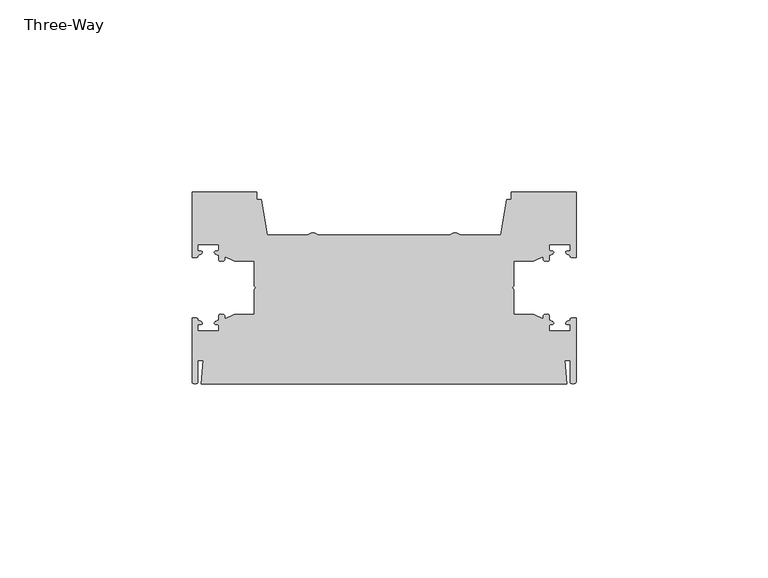
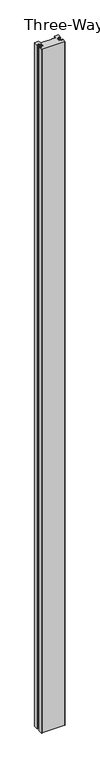
"""IFC4 building model written with IfcOpenShell, lengths in millimetres: proxy geometry, Three-Way."""

from ifc_helpers import new_model, si_unit, frame, origin, place, context, project, spatial, circle_curve, source, transform, mapped, element, save
from ifc_brep_helpers import plane_surface, cylinder_surface, extruded_surface, spline_curve, advanced_brep


def three_way_67b36097(model_context):
    return source(origin(), model_context, "Body", "AdvancedBrep", [
        advanced_brep(
        [(41.2154763, 8.0424674, 3048.0), (43.185195, 8.5344392, 3048.0), (43.0, 9.851346, 3048.0), (43.0, 11.301346, 3048.0), (48.5, 11.301346, 3048.0), (48.5, 9.851346, 3048.0), (48.8, 7.901346, 3048.0), (50.0, 7.901346, 3048.0), (50.0, 25.001346, 3048.0), (33.1962748, 25.001346, 3048.0), (33.1962748, 22.9708269, 3048.0), (31.9352486, 22.9708269, 3048.0), (30.467107, 13.701346, 3048.0), (19.9330127, 13.701346, 3048.0), (17.0669873, 13.701346, 3048.0), (-17.0669873, 13.701346, 3048.0), (-19.9330127, 13.701346, 3048.0), (-30.467107, 13.701346, 3048.0), (-31.9352486, 22.9708269, 3048.0), (-33.1962748, 22.9708269, 3048.0), (-33.1962748, 25.001346, 3048.0), (-50.0, 25.001346, 3048.0), (-50.0, 7.901346, 3048.0), (-48.8, 7.901346, 3048.0), (-48.5, 9.851346, 3048.0), (-48.5, 11.301346, 3048.0), (-43.0, 11.301346, 3048.0), (-43.0, 9.851346, 3048.0), (-43.185195, 8.5344392, 3048.0), (-41.2154763, 8.0424674, 3048.0), (-39.2639781, 7.1324689, 3048.0), (-38.3342179, 6.926346, 3048.0), (-33.75, 6.926346, 3048.0), (-33.75, 0.6327168, 3048.0), (-33.75, -0.6327168, 3048.0), (-33.75, -6.926346, 3048.0), (-38.3342179, -6.926346, 3048.0), (-39.2639781, -7.1324689, 3048.0), (-41.2154763, -8.0424674, 3048.0), (-43.185195, -8.5344392, 3048.0), (-43.0, -9.851346, 3048.0), (-43.0, -11.301346, 3048.0), (-48.5, -11.301346, 3048.0), (-48.5, -9.851346, 3048.0), (-48.8, -7.901346, 3048.0), (-50.0, -7.901346, 3048.0), (-50.0, -24.501346, 3048.0), (-48.5, -24.701346, 3048.0), (-48.5, -18.9577681, 3048.0), (-47.098648, -18.9577681, 3048.0), (-47.6273926, -25.001346, 3048.0), (47.6273926, -25.001346, 3048.0), (47.098648, -18.9577681, 3048.0), (48.5, -18.9577681, 3048.0), (48.5, -24.701346, 3048.0), (50.0, -24.501346, 3048.0), (50.0, -7.901346, 3048.0), (48.8, -7.901346, 3048.0), (48.5, -9.851346, 3048.0), (48.5, -11.301346, 3048.0), (43.0, -11.301346, 3048.0), (43.0, -9.851346, 3048.0), (43.185195, -8.5344392, 3048.0), (41.2154763, -8.0424674, 3048.0), (39.2639781, -7.1324689, 3048.0), (38.3342179, -6.926346, 3048.0), (33.75, -6.926346, 3048.0), (33.75, -0.6327168, 3048.0), (33.75, 0.6327168, 3048.0), (33.75, 6.926346, 3048.0), (38.3342179, 6.926346, 3048.0), (39.2639781, 7.1324689, 3048.0), (41.2154763, 8.0424674, 0.0), (39.2639781, 7.1324689, 0.0), (38.3342179, 6.926346, 0.0), (33.75, 6.926346, 0.0), (33.75, 0.6327168, 0.0), (33.75, -0.6327168, 0.0), (33.75, -6.926346, 0.0), (38.3342179, -6.926346, 0.0), (39.2639781, -7.1324689, 0.0), (41.2154763, -8.0424674, 0.0), (43.185195, -8.5344392, 0.0), (43.0, -9.851346, 0.0), (43.0, -11.301346, 0.0), (48.5, -11.301346, 0.0), (48.5, -9.851346, 0.0), (48.8, -7.901346, 0.0), (50.0, -7.901346, 0.0), (50.0, -24.501346, 0.0), (48.5, -24.701346, 0.0), (48.5, -18.9577681, 0.0), (47.098648, -18.9577681, 0.0), (47.6273926, -25.001346, 0.0), (-47.6273926, -25.001346, 0.0), (-47.098648, -18.9577681, 0.0), (-48.5, -18.9577681, 0.0), (-48.5, -24.701346, 0.0), (-50.0, -24.501346, 0.0), (-50.0, -7.901346, 0.0), (-48.8, -7.901346, 0.0), (-48.5, -9.851346, 0.0), (-48.5, -11.301346, 0.0), (-43.0, -11.301346, 0.0), (-43.0, -9.851346, 0.0), (-43.185195, -8.5344392, 0.0), (-41.2154763, -8.0424674, 0.0), (-39.2639781, -7.1324689, 0.0), (-38.3342179, -6.926346, 0.0), (-33.75, -6.926346, 0.0), (-33.75, -0.6327168, 0.0), (-33.75, 0.6327168, 0.0), (-33.75, 6.926346, 0.0), (-38.3342179, 6.926346, 0.0), (-39.2639781, 7.1324689, 0.0), (-41.2154763, 8.0424674, 0.0), (-43.185195, 8.5344392, 0.0), (-43.0, 9.851346, 0.0), (-43.0, 11.301346, 0.0), (-48.5, 11.301346, 0.0), (-48.5, 9.851346, 0.0), (-48.8, 7.901346, 0.0), (-50.0, 7.901346, 0.0), (-50.0, 25.001346, 0.0), (-33.1962748, 25.001346, 0.0), (-33.1962748, 22.9708269, 0.0), (-31.9352486, 22.9708269, 0.0), (-30.467107, 13.701346, 0.0), (-19.9330127, 13.701346, 0.0), (-17.0669873, 13.701346, 0.0), (17.0669873, 13.701346, 0.0), (19.9330127, 13.701346, 0.0), (30.467107, 13.701346, 0.0), (31.9352486, 22.9708269, 0.0), (33.1962748, 22.9708269, 0.0), (33.1962748, 25.001346, 0.0), (50.0, 25.001346, 0.0), (50.0, 7.901346, 0.0), (48.8, 7.901346, 0.0), (48.5, 9.851346, 0.0), (48.5, 11.301346, 0.0), (43.0, 11.301346, 0.0), (43.0, 9.851346, 0.0), (43.185195, 8.5344392, 0.0)],
        [
            (0, 1, spline_curve(3, [(41.2154763, 8.0424674, 3048.0), (41.660842777, 8.153509734, 3048.0), (41.464969733, 7.61204267, 3048.0), (41.500572297, 6.958500692, 3048.0), (41.842679832, 6.976429878, 3048.0), (42.574686522, 6.897326467, 3048.0), (42.964814637, 6.784479785, 3048.0), (43.049610674, 7.60991552, 3048.0), (42.848603765, 8.377484129, 3048.0), (43.185195, 8.5344392, 3048.0)], [4, 2, 2, 2, 4], [0.0, 0.003012044489340364, 0.006728367817494094, 0.01094538845224981, 0.0144651460148009])),
            (1, 2, spline_curve(3, [(43.185195, 8.5344392, 3048.0), (44.257193579, 8.742814615, 3048.0), (44.348132264, 9.380145163, 3048.0), (43.638957401, 9.652690652, 3048.0), (43.0, 9.450969221, 3048.0), (43.0, 9.851346, 3048.0)], [4, 2, 4], [0.0, 0.004103753102240253, 0.007451069118864329])),
            (2, 3),
            (3, 4),
            (4, 5),
            (5, 6, spline_curve(3, [(48.5, 9.851346, 3048.0), (48.5, 9.460584296, 3048.0), (47.850294419, 9.634672339, 3048.0), (47.165809164, 9.457127825, 3048.0), (47.326551938, 8.962412758, 3048.0), (47.964231228, 8.600409346, 3048.0), (48.379482035, 8.636739063, 3048.0), (48.555448591, 8.211710623, 3048.0), (48.479332943, 7.901346, 3048.0), (48.8, 7.901346, 3048.0)], [4, 2, 2, 2, 4], [0.0, 0.003573994024217011, 0.0080459867357268, 0.011718250182124893, 0.014250554149769994])),
            (6, 7),
            (7, 8),
            (8, 9),
            (9, 10),
            (10, 11),
            (11, 12),
            (12, 13),
            (13, 14, spline_curve(3, [(19.9330127, 13.701346, 3048.0), (18.952688612, 14.482010326, 3048.0), (17.997346815, 14.482010326, 3048.0), (17.0669873, 13.701346, 3048.0)], [4, 4], [0.0, 0.006072054324959151])),
            (14, 15),
            (15, 16, spline_curve(3, [(-17.0669873, 13.701346, 3048.0), (-17.997346815, 14.482010326, 3048.0), (-18.952688612, 14.482010326, 3048.0), (-19.9330127, 13.701346, 3048.0)], [4, 4], [0.0, 0.006072054324959151])),
            (16, 17),
            (17, 18),
            (18, 19),
            (19, 20),
            (20, 21),
            (21, 22),
            (22, 23),
            (23, 24, spline_curve(3, [(-48.8, 7.901346, 3048.0), (-48.479332943, 7.901346, 3048.0), (-48.555448591, 8.211710623, 3048.0), (-48.379482035, 8.636739063, 3048.0), (-47.964231228, 8.600409346, 3048.0), (-47.326551938, 8.962412758, 3048.0), (-47.165809164, 9.457127825, 3048.0), (-47.850294419, 9.634672339, 3048.0), (-48.5, 9.460584296, 3048.0), (-48.5, 9.851346, 3048.0)], [4, 2, 2, 2, 4], [0.0, 0.002532303967645101, 0.006204567414043193, 0.010676560125552983, 0.014250554149769994])),
            (24, 25),
            (25, 26),
            (26, 27),
            (27, 28, spline_curve(3, [(-43.0, 9.851346, 3048.0), (-43.0, 9.450969221, 3048.0), (-43.638957401, 9.652690652, 3048.0), (-44.348132264, 9.380145163, 3048.0), (-44.257193579, 8.742814615, 3048.0), (-43.185195, 8.5344392, 3048.0)], [4, 2, 4], [0.0, 0.0033473160166240766, 0.007451069118864329])),
            (28, 29, spline_curve(3, [(-43.185195, 8.5344392, 3048.0), (-42.848603765, 8.377484129, 3048.0), (-43.049610674, 7.60991552, 3048.0), (-42.964814637, 6.784479785, 3048.0), (-42.574686522, 6.897326467, 3048.0), (-41.842679832, 6.976429878, 3048.0), (-41.500572297, 6.958500692, 3048.0), (-41.464969733, 7.61204267, 3048.0), (-41.660842777, 8.153509734, 3048.0), (-41.2154763, 8.0424674, 3048.0)], [4, 2, 2, 2, 4], [0.0, 0.003519757562551089, 0.007736778197306806, 0.011453101525460536, 0.0144651460148009])),
            (29, 30),
            (30, 31, circle_curve(frame((-38.3342179, 9.126346, 3048.0), z_axis=(0.0, 0.0, 1.0), x_axis=(0.0, -1.0, 0.0)), 2.2)),
            (31, 32),
            (32, 33),
            (33, 34, spline_curve(3, [(-33.75, 0.6327168, 3048.0), (-33.75, 0.347035284, 3048.0), (-33.438766776, 0.176328791, 3048.0), (-33.428516361, -0.143105225, 3048.0), (-33.75, -0.290923637, 3048.0), (-33.75, -0.6327168, 3048.0)], [4, 2, 4], [0.0, 0.0018632078204305373, 0.0037877800839590864])),
            (34, 35),
            (35, 36),
            (36, 37, circle_curve(frame((-38.3342179, -9.126346, 3048.0), z_axis=(0.0, 0.0, 1.0), x_axis=(0.0, -1.0, 0.0)), 2.2)),
            (37, 38),
            (38, 39, spline_curve(3, [(-41.2154763, -8.0424674, 3048.0), (-41.660842777, -8.153509734, 3048.0), (-41.464969733, -7.61204267, 3048.0), (-41.500572297, -6.958500692, 3048.0), (-41.842679832, -6.976429878, 3048.0), (-42.574686522, -6.897326467, 3048.0), (-42.964814637, -6.784479785, 3048.0), (-43.049610674, -7.60991552, 3048.0), (-42.848603765, -8.377484129, 3048.0), (-43.185195, -8.5344392, 3048.0)], [4, 2, 2, 2, 4], [0.0, 0.003012044489340364, 0.006728367817494094, 0.01094538845224981, 0.0144651460148009])),
            (39, 40, spline_curve(3, [(-43.185195, -8.5344392, 3048.0), (-44.257193579, -8.742814615, 3048.0), (-44.348132264, -9.380145163, 3048.0), (-43.638957401, -9.652690652, 3048.0), (-43.0, -9.450969221, 3048.0), (-43.0, -9.851346, 3048.0)], [4, 2, 4], [0.0, 0.004103753102240253, 0.007451069118864329])),
            (40, 41),
            (41, 42),
            (42, 43),
            (43, 44, spline_curve(3, [(-48.5, -9.851346, 3048.0), (-48.5, -9.460584296, 3048.0), (-47.850294419, -9.634672339, 3048.0), (-47.165809164, -9.457127825, 3048.0), (-47.326551938, -8.962412758, 3048.0), (-47.964231228, -8.600409346, 3048.0), (-48.379482035, -8.636739063, 3048.0), (-48.555448591, -8.211710623, 3048.0), (-48.479332943, -7.901346, 3048.0), (-48.8, -7.901346, 3048.0)], [4, 2, 2, 2, 4], [0.0, 0.003573994024217011, 0.0080459867357268, 0.011718250182124893, 0.014250554149769994])),
            (44, 45),
            (45, 46),
            (46, 47, spline_curve(3, [(-50.0, -24.501346, 3048.0), (-50.046499209, -25.166315666, 3048.0), (-48.5, -25.109765933, 3048.0), (-48.5, -24.701346, 3048.0)], [4, 4], [0.0, 0.002868051353515802])),
            (47, 48),
            (48, 49),
            (49, 50),
            (50, 51),
            (51, 52),
            (52, 53),
            (53, 54),
            (54, 55, spline_curve(3, [(48.5, -24.701346, 3048.0), (48.5, -25.109765933, 3048.0), (50.046499209, -25.166315666, 3048.0), (50.0, -24.501346, 3048.0)], [4, 4], [0.0, 0.002868051353515802])),
            (55, 56),
            (56, 57),
            (57, 58, spline_curve(3, [(48.8, -7.901346, 3048.0), (48.479332943, -7.901346, 3048.0), (48.555448591, -8.211710623, 3048.0), (48.379482035, -8.636739063, 3048.0), (47.964231228, -8.600409346, 3048.0), (47.326551938, -8.962412758, 3048.0), (47.165809164, -9.457127825, 3048.0), (47.850294419, -9.634672339, 3048.0), (48.5, -9.460584296, 3048.0), (48.5, -9.851346, 3048.0)], [4, 2, 2, 2, 4], [0.0, 0.002532303967645101, 0.006204567414043193, 0.010676560125552983, 0.014250554149769994])),
            (58, 59),
            (59, 60),
            (60, 61),
            (61, 62, spline_curve(3, [(43.0, -9.851346, 3048.0), (43.0, -9.450969221, 3048.0), (43.638957401, -9.652690652, 3048.0), (44.348132264, -9.380145163, 3048.0), (44.257193579, -8.742814615, 3048.0), (43.185195, -8.5344392, 3048.0)], [4, 2, 4], [0.0, 0.0033473160166240766, 0.007451069118864329])),
            (62, 63, spline_curve(3, [(43.185195, -8.5344392, 3048.0), (42.848603765, -8.377484129, 3048.0), (43.049610674, -7.60991552, 3048.0), (42.964814637, -6.784479785, 3048.0), (42.574686522, -6.897326467, 3048.0), (41.842679832, -6.976429878, 3048.0), (41.500572297, -6.958500692, 3048.0), (41.464969733, -7.61204267, 3048.0), (41.660842777, -8.153509734, 3048.0), (41.2154763, -8.0424674, 3048.0)], [4, 2, 2, 2, 4], [0.0, 0.003519757562551089, 0.007736778197306806, 0.011453101525460536, 0.0144651460148009])),
            (63, 64),
            (64, 65, circle_curve(frame((38.3342179, -9.126346, 3048.0), z_axis=(0.0, 0.0, 1.0), x_axis=(0.0, -1.0, 0.0)), 2.2)),
            (65, 66),
            (66, 67),
            (67, 68, spline_curve(3, [(33.75, -0.6327168, 3048.0), (33.75, -0.290923637, 3048.0), (33.428516361, -0.143105225, 3048.0), (33.438766776, 0.176328791, 3048.0), (33.75, 0.347035284, 3048.0), (33.75, 0.6327168, 3048.0)], [4, 2, 4], [0.0, 0.001924572263528549, 0.0037877800839590864])),
            (68, 69),
            (69, 70),
            (70, 71, circle_curve(frame((38.3342179, 9.126346, 3048.0), z_axis=(0.0, 0.0, 1.0), x_axis=(0.0, -1.0, 0.0)), 2.2)),
            (71, 0),
            (72, 73),
            (73, 74, circle_curve(frame((38.3342179, 9.126346, 0.0), z_axis=(0.0, 0.0, -1.0), x_axis=(0.0, -1.0, 0.0)), 2.2)),
            (74, 75),
            (75, 76),
            (76, 77, spline_curve(3, [(33.75, 0.6327168, 0.0), (33.75, 0.347035284, 0.0), (33.438766776, 0.176328791, 0.0), (33.428516361, -0.143105225, 0.0), (33.75, -0.290923637, 0.0), (33.75, -0.6327168, 0.0)], [4, 2, 4], [0.0, 0.0018632078204305373, 0.0037877800839590864])),
            (77, 78),
            (78, 79),
            (79, 80, circle_curve(frame((38.3342179, -9.126346, 0.0), z_axis=(0.0, 0.0, -1.0), x_axis=(0.0, -1.0, 0.0)), 2.2)),
            (80, 81),
            (81, 82, spline_curve(3, [(41.2154763, -8.0424674, 0.0), (41.660842777, -8.153509734, 0.0), (41.464969733, -7.61204267, 0.0), (41.500572297, -6.958500692, 0.0), (41.842679832, -6.976429878, 0.0), (42.574686522, -6.897326467, 0.0), (42.964814637, -6.784479785, 0.0), (43.049610674, -7.60991552, 0.0), (42.848603765, -8.377484129, 0.0), (43.185195, -8.5344392, 0.0)], [4, 2, 2, 2, 4], [0.0, 0.0030120444893403635, 0.006728367817494094, 0.01094538845224981, 0.0144651460148009])),
            (82, 83, spline_curve(3, [(43.185195, -8.5344392, 0.0), (44.257193579, -8.742814615, 0.0), (44.348132264, -9.380145163, 0.0), (43.638957401, -9.652690652, 0.0), (43.0, -9.450969221, 0.0), (43.0, -9.851346, 0.0)], [4, 2, 4], [0.0, 0.004103753102240253, 0.007451069118864329])),
            (83, 84),
            (84, 85),
            (85, 86),
            (86, 87, spline_curve(3, [(48.5, -9.851346, 0.0), (48.5, -9.460584296, 0.0), (47.850294419, -9.634672339, 0.0), (47.165809164, -9.457127825, 0.0), (47.326551938, -8.962412758, 0.0), (47.964231228, -8.600409346, 0.0), (48.379482035, -8.636739063, 0.0), (48.555448591, -8.211710623, 0.0), (48.479332943, -7.901346, 0.0), (48.8, -7.901346, 0.0)], [4, 2, 2, 2, 4], [0.0, 0.003573994024217011, 0.0080459867357268, 0.011718250182124893, 0.014250554149769994])),
            (87, 88),
            (88, 89),
            (89, 90, spline_curve(3, [(50.0, -24.501346, 0.0), (50.046499209, -25.166315666, 0.0), (48.5, -25.109765933, 0.0), (48.5, -24.701346, 0.0)], [4, 4], [0.0, 0.002868051353515802])),
            (90, 91),
            (91, 92),
            (92, 93),
            (93, 94),
            (94, 95),
            (95, 96),
            (96, 97),
            (97, 98, spline_curve(3, [(-48.5, -24.701346, 0.0), (-48.5, -25.109765933, 0.0), (-50.046499209, -25.166315666, 0.0), (-50.0, -24.501346, 0.0)], [4, 4], [0.0, 0.002868051353515802])),
            (98, 99),
            (99, 100),
            (100, 101, spline_curve(3, [(-48.8, -7.901346, 0.0), (-48.479332943, -7.901346, 0.0), (-48.555448591, -8.211710623, 0.0), (-48.379482035, -8.636739063, 0.0), (-47.964231228, -8.600409346, 0.0), (-47.326551938, -8.962412758, 0.0), (-47.165809164, -9.457127825, 0.0), (-47.850294419, -9.634672339, 0.0), (-48.5, -9.460584296, 0.0), (-48.5, -9.851346, 0.0)], [4, 2, 2, 2, 4], [0.0, 0.002532303967645101, 0.006204567414043193, 0.010676560125552983, 0.014250554149769994])),
            (101, 102),
            (102, 103),
            (103, 104),
            (104, 105, spline_curve(3, [(-43.0, -9.851346, 0.0), (-43.0, -9.450969221, 0.0), (-43.638957401, -9.652690652, 0.0), (-44.348132264, -9.380145163, 0.0), (-44.257193579, -8.742814615, 0.0), (-43.185195, -8.5344392, 0.0)], [4, 2, 4], [0.0, 0.0033473160166240766, 0.007451069118864329])),
            (105, 106, spline_curve(3, [(-43.185195, -8.5344392, 0.0), (-42.848603765, -8.377484129, 0.0), (-43.049610674, -7.60991552, 0.0), (-42.964814637, -6.784479785, 0.0), (-42.574686522, -6.897326467, 0.0), (-41.842679832, -6.976429878, 0.0), (-41.500572297, -6.958500692, 0.0), (-41.464969733, -7.61204267, 0.0), (-41.660842777, -8.153509734, 0.0), (-41.2154763, -8.0424674, 0.0)], [4, 2, 2, 2, 4], [0.0, 0.003519757562551089, 0.007736778197306806, 0.011453101525460536, 0.0144651460148009])),
            (106, 107),
            (107, 108, circle_curve(frame((-38.3342179, -9.126346, 0.0), z_axis=(0.0, 0.0, -1.0), x_axis=(0.0, -1.0, 0.0)), 2.2)),
            (108, 109),
            (109, 110),
            (110, 111, spline_curve(3, [(-33.75, -0.6327168, 0.0), (-33.75, -0.290923637, 0.0), (-33.428516361, -0.143105225, 0.0), (-33.438766776, 0.176328791, 0.0), (-33.75, 0.347035284, 0.0), (-33.75, 0.6327168, 0.0)], [4, 2, 4], [0.0, 0.001924572263528549, 0.0037877800839590864])),
            (111, 112),
            (112, 113),
            (113, 114, circle_curve(frame((-38.3342179, 9.126346, 0.0), z_axis=(0.0, 0.0, -1.0), x_axis=(0.0, -1.0, 0.0)), 2.2)),
            (114, 115),
            (115, 116, spline_curve(3, [(-41.2154763, 8.0424674, 0.0), (-41.660842777, 8.153509734, 0.0), (-41.464969733, 7.61204267, 0.0), (-41.500572297, 6.958500692, 0.0), (-41.842679832, 6.976429878, 0.0), (-42.574686522, 6.897326467, 0.0), (-42.964814637, 6.784479785, 0.0), (-43.049610674, 7.60991552, 0.0), (-42.848603765, 8.377484129, 0.0), (-43.185195, 8.5344392, 0.0)], [4, 2, 2, 2, 4], [0.0, 0.0030120444893403635, 0.006728367817494094, 0.01094538845224981, 0.0144651460148009])),
            (116, 117, spline_curve(3, [(-43.185195, 8.5344392, 0.0), (-44.257193579, 8.742814615, 0.0), (-44.348132264, 9.380145163, 0.0), (-43.638957401, 9.652690652, 0.0), (-43.0, 9.450969221, 0.0), (-43.0, 9.851346, 0.0)], [4, 2, 4], [0.0, 0.004103753102240253, 0.007451069118864329])),
            (117, 118),
            (118, 119),
            (119, 120),
            (120, 121, spline_curve(3, [(-48.5, 9.851346, 0.0), (-48.5, 9.460584296, 0.0), (-47.850294419, 9.634672339, 0.0), (-47.165809164, 9.457127825, 0.0), (-47.326551938, 8.962412758, 0.0), (-47.964231228, 8.600409346, 0.0), (-48.379482035, 8.636739063, 0.0), (-48.555448591, 8.211710623, 0.0), (-48.479332943, 7.901346, 0.0), (-48.8, 7.901346, 0.0)], [4, 2, 2, 2, 4], [0.0, 0.003573994024217011, 0.0080459867357268, 0.011718250182124893, 0.014250554149769994])),
            (121, 122),
            (122, 123),
            (123, 124),
            (124, 125),
            (125, 126),
            (126, 127),
            (127, 128),
            (128, 129, spline_curve(3, [(-19.9330127, 13.701346, 0.0), (-18.952688612, 14.482010326, 0.0), (-17.997346815, 14.482010326, 0.0), (-17.0669873, 13.701346, 0.0)], [4, 4], [0.0, 0.006072054324959151])),
            (129, 130),
            (130, 131, spline_curve(3, [(17.0669873, 13.701346, 0.0), (17.997346815, 14.482010326, 0.0), (18.952688612, 14.482010326, 0.0), (19.9330127, 13.701346, 0.0)], [4, 4], [0.0, 0.006072054324959151])),
            (131, 132),
            (132, 133),
            (133, 134),
            (134, 135),
            (135, 136),
            (136, 137),
            (137, 138),
            (138, 139, spline_curve(3, [(48.8, 7.901346, 0.0), (48.479332943, 7.901346, 0.0), (48.555448591, 8.211710623, 0.0), (48.379482035, 8.636739063, 0.0), (47.964231228, 8.600409346, 0.0), (47.326551938, 8.962412758, 0.0), (47.165809164, 9.457127825, 0.0), (47.850294419, 9.634672339, 0.0), (48.5, 9.460584296, 0.0), (48.5, 9.851346, 0.0)], [4, 2, 2, 2, 4], [0.0, 0.002532303967645101, 0.006204567414043193, 0.010676560125552983, 0.014250554149769994])),
            (139, 140),
            (140, 141),
            (141, 142),
            (142, 143, spline_curve(3, [(43.0, 9.851346, 0.0), (43.0, 9.450969221, 0.0), (43.638957401, 9.652690652, 0.0), (44.348132264, 9.380145163, 0.0), (44.257193579, 8.742814615, 0.0), (43.185195, 8.5344392, 0.0)], [4, 2, 4], [0.0, 0.0033473160166240766, 0.007451069118864329])),
            (143, 72, spline_curve(3, [(43.185195, 8.5344392, 0.0), (42.848603765, 8.377484129, 0.0), (43.049610674, 7.60991552, 0.0), (42.964814637, 6.784479785, 0.0), (42.574686522, 6.897326467, 0.0), (41.842679832, 6.976429878, 0.0), (41.500572297, 6.958500692, 0.0), (41.464969733, 7.61204267, 0.0), (41.660842777, 8.153509734, 0.0), (41.2154763, 8.0424674, 0.0)], [4, 2, 2, 2, 4], [0.0, 0.003519757562551089, 0.007736778197306806, 0.011453101525460536, 0.0144651460148009])),
            (0, 72),
            (143, 1),
            (142, 2),
            (141, 3),
            (140, 4),
            (139, 5),
            (138, 6),
            (137, 7),
            (136, 8),
            (135, 9),
            (134, 10),
            (133, 11),
            (132, 12),
            (131, 13),
            (130, 14),
            (129, 15),
            (128, 16),
            (127, 17),
            (126, 18),
            (125, 19),
            (124, 20),
            (123, 21),
            (122, 22),
            (121, 23),
            (120, 24),
            (119, 25),
            (118, 26),
            (117, 27),
            (116, 28),
            (115, 29),
            (114, 30),
            (113, 31),
            (112, 32),
            (111, 33),
            (110, 34),
            (109, 35),
            (108, 36),
            (107, 37),
            (106, 38),
            (105, 39),
            (104, 40),
            (103, 41),
            (102, 42),
            (101, 43),
            (100, 44),
            (99, 45),
            (98, 46),
            (97, 47),
            (96, 48),
            (95, 49),
            (94, 50),
            (93, 51),
            (92, 52),
            (91, 53),
            (90, 54),
            (89, 55),
            (88, 56),
            (87, 57),
            (86, 58),
            (85, 59),
            (84, 60),
            (83, 61),
            (82, 62),
            (81, 63),
            (80, 64),
            (79, 65),
            (78, 66),
            (77, 67),
            (76, 68),
            (75, 69),
            (74, 70),
            (73, 71),
        ],
        [
            plane_surface(frame((0.0, 0.0, 3048.0), z_axis=(0.0, 0.0, 1.0), x_axis=(0.0, -1.0, 0.0))),
            plane_surface(frame((0.0, 0.0, 0.0), z_axis=(0.0, 0.0, -1.0), x_axis=(0.0, -1.0, 0.0))),
            extruded_surface(spline_curve(3, [(41.2154763, 8.0424674, 0.0), (41.660842777, 8.153509734, 0.0), (41.464969733, 7.61204267, 0.0), (41.500572297, 6.958500692, 0.0), (41.842679832, 6.976429878, 0.0), (42.574686522, 6.897326467, 0.0), (42.964814637, 6.784479785, 0.0), (43.049610674, 7.60991552, 0.0), (42.848603765, 8.377484129, 0.0), (43.185195, 8.5344392, 0.0)], [4, 2, 2, 2, 4], [0.0, 0.003012044489340364, 0.006728367817494094, 0.01094538845224981, 0.0144651460148009]), (0.0, 0.0, 3048.0), 3048.0),
            extruded_surface(spline_curve(3, [(43.185195, 8.5344392, 0.0), (44.257193579, 8.742814615, 0.0), (44.348132264, 9.380145163, 0.0), (43.638957401, 9.652690652, 0.0), (43.0, 9.450969221, 0.0), (43.0, 9.851346, 0.0)], [4, 2, 4], [0.0, 0.004103753102240253, 0.007451069118864329]), (0.0, 0.0, 3048.0), 3048.0),
            plane_surface(frame((43.0, 9.851346, 3048.0), z_axis=(1.0, 0.0, 0.0), x_axis=(0.0, 0.0, -1.0))),
            plane_surface(frame((43.0, 11.301346, 3048.0), z_axis=(0.0, -1.0, 0.0), x_axis=(0.0, 0.0, -1.0))),
            plane_surface(frame((48.5, 11.301346, 3048.0), z_axis=(-1.0, 0.0, 0.0), x_axis=(0.0, 0.0, -1.0))),
            extruded_surface(spline_curve(3, [(48.5, 9.851346, 0.0), (48.5, 9.460584296, 0.0), (47.850294419, 9.634672339, 0.0), (47.165809164, 9.457127825, 0.0), (47.326551938, 8.962412758, 0.0), (47.964231228, 8.600409346, 0.0), (48.379482035, 8.636739063, 0.0), (48.555448591, 8.211710623, 0.0), (48.479332943, 7.901346, 0.0), (48.8, 7.901346, 0.0)], [4, 2, 2, 2, 4], [0.0, 0.003573994024217011, 0.0080459867357268, 0.011718250182124893, 0.014250554149769994]), (0.0, 0.0, 3048.0), 3048.0),
            plane_surface(frame((48.8, 7.901346, 3048.0), z_axis=(0.0, -1.0, 0.0), x_axis=(0.0, 0.0, -1.0))),
            plane_surface(frame((50.0, 7.901346, 3048.0), z_axis=(1.0, 0.0, 0.0), x_axis=(0.0, 0.0, -1.0))),
            plane_surface(frame((50.0, 25.001346, 3048.0), z_axis=(0.0, 1.0, 0.0), x_axis=(0.0, 0.0, -1.0))),
            plane_surface(frame((33.1962748, 25.001346, 3048.0), z_axis=(-1.0, 0.0, 0.0), x_axis=(0.0, 0.0, -1.0))),
            plane_surface(frame((33.1962748, 22.9708269, 3048.0), z_axis=(0.0, 1.0, 0.0), x_axis=(0.0, 0.0, -1.0))),
            plane_surface(frame((31.9352486, 22.9708269, 3048.0), z_axis=(-0.987688340595275, 0.1564344650393643, 0.0), x_axis=(0.0, 0.0, -1.0))),
            plane_surface(frame((30.467107, 13.701346, 3048.0), z_axis=(0.0, 1.0, 0.0), x_axis=(0.0, 0.0, -1.0))),
            extruded_surface(spline_curve(3, [(19.9330127, 13.701346, 0.0), (18.952688612, 14.482010326, 0.0), (17.997346815, 14.482010326, 0.0), (17.0669873, 13.701346, 0.0)], [4, 4], [0.0, 0.006072054324959151]), (0.0, 0.0, 3048.0), 3048.0),
            plane_surface(frame((0.0, 13.701346, 3048.0), z_axis=(0.0, 1.0, 0.0), x_axis=(0.0, 0.0, -1.0))),
            extruded_surface(spline_curve(3, [(-17.0669873, 13.701346, 0.0), (-17.997346815, 14.482010326, 0.0), (-18.952688612, 14.482010326, 0.0), (-19.9330127, 13.701346, 0.0)], [4, 4], [0.0, 0.006072054324959151]), (0.0, 0.0, 3048.0), 3048.0),
            plane_surface(frame((-19.9330127, 13.701346, 3048.0), z_axis=(0.0, 1.0, 0.0), x_axis=(0.0, 0.0, -1.0))),
            plane_surface(frame((-30.467107, 13.701346, 3048.0), z_axis=(0.987688340595275, 0.1564344650393643, 0.0), x_axis=(0.0, 0.0, -1.0))),
            plane_surface(frame((-31.9352486, 22.9708269, 3048.0), z_axis=(0.0, 1.0, 0.0), x_axis=(0.0, 0.0, -1.0))),
            plane_surface(frame((-33.1962748, 22.9708269, 3048.0), z_axis=(1.0, 0.0, 0.0), x_axis=(0.0, 0.0, -1.0))),
            plane_surface(frame((-33.1962748, 25.001346, 3048.0), z_axis=(0.0, 1.0, 0.0), x_axis=(0.0, 0.0, -1.0))),
            plane_surface(frame((-50.0, 25.001346, 3048.0), z_axis=(-1.0, 0.0, 0.0), x_axis=(0.0, 0.0, -1.0))),
            plane_surface(frame((-50.0, 7.901346, 3048.0), z_axis=(0.0, -1.0, 0.0), x_axis=(0.0, 0.0, -1.0))),
            extruded_surface(spline_curve(3, [(-48.8, 7.901346, 0.0), (-48.479332943, 7.901346, 0.0), (-48.555448591, 8.211710623, 0.0), (-48.379482035, 8.636739063, 0.0), (-47.964231228, 8.600409346, 0.0), (-47.326551938, 8.962412758, 0.0), (-47.165809164, 9.457127825, 0.0), (-47.850294419, 9.634672339, 0.0), (-48.5, 9.460584296, 0.0), (-48.5, 9.851346, 0.0)], [4, 2, 2, 2, 4], [0.0, 0.002532303967645101, 0.006204567414043193, 0.010676560125552983, 0.014250554149769994]), (0.0, 0.0, 3048.0), 3048.0),
            plane_surface(frame((-48.5, 9.851346, 3048.0), z_axis=(1.0, 0.0, 0.0), x_axis=(0.0, 0.0, -1.0))),
            plane_surface(frame((-48.5, 11.301346, 3048.0), z_axis=(0.0, -1.0, 0.0), x_axis=(0.0, 0.0, -1.0))),
            plane_surface(frame((-43.0, 11.301346, 3048.0), z_axis=(-1.0, 0.0, 0.0), x_axis=(0.0, 0.0, -1.0))),
            extruded_surface(spline_curve(3, [(-43.0, 9.851346, 0.0), (-43.0, 9.450969221, 0.0), (-43.638957401, 9.652690652, 0.0), (-44.348132264, 9.380145163, 0.0), (-44.257193579, 8.742814615, 0.0), (-43.185195, 8.5344392, 0.0)], [4, 2, 4], [0.0, 0.0033473160166240766, 0.007451069118864329]), (0.0, 0.0, 3048.0), 3048.0),
            extruded_surface(spline_curve(3, [(-43.185195, 8.5344392, 0.0), (-42.848603765, 8.377484129, 0.0), (-43.049610674, 7.60991552, 0.0), (-42.964814637, 6.784479785, 0.0), (-42.574686522, 6.897326467, 0.0), (-41.842679832, 6.976429878, 0.0), (-41.500572297, 6.958500692, 0.0), (-41.464969733, 7.61204267, 0.0), (-41.660842777, 8.153509734, 0.0), (-41.2154763, 8.0424674, 0.0)], [4, 2, 2, 2, 4], [0.0, 0.003519757562551089, 0.007736778197306806, 0.011453101525460536, 0.0144651460148009]), (0.0, 0.0, 3048.0), 3048.0),
            plane_surface(frame((-41.2154763, 8.0424674, 3048.0), z_axis=(-0.42261826172676786, -0.9063077870431464, 0.0), x_axis=(0.0, 0.0, -1.0))),
            cylinder_surface(frame((-38.3342179, 9.126346, 3048.0), z_axis=(0.0, 0.0, 1.0), x_axis=(0.0, -1.0, 0.0)), 2.2),
            plane_surface(frame((-38.3342179, 6.926346, 3048.0), z_axis=(0.0, -1.0, 0.0), x_axis=(0.0, 0.0, -1.0))),
            plane_surface(frame((-33.75, 6.926346, 3048.0), z_axis=(-1.0, 0.0, 0.0), x_axis=(0.0, 0.0, -1.0))),
            extruded_surface(spline_curve(3, [(-33.75, 0.6327168, 0.0), (-33.75, 0.347035284, 0.0), (-33.438766776, 0.176328791, 0.0), (-33.428516361, -0.143105225, 0.0), (-33.75, -0.290923637, 0.0), (-33.75, -0.6327168, 0.0)], [4, 2, 4], [0.0, 0.0018632078204305373, 0.0037877800839590864]), (0.0, 0.0, 3048.0), 3048.0),
            plane_surface(frame((-33.75, -0.6327168, 3048.0), z_axis=(-1.0, 0.0, 0.0), x_axis=(0.0, 0.0, -1.0))),
            plane_surface(frame((-33.75, -6.926346, 3048.0), z_axis=(0.0, 1.0, 0.0), x_axis=(0.0, 0.0, -1.0))),
            cylinder_surface(frame((-38.3342179, -9.126346, 3048.0), z_axis=(0.0, 0.0, 1.0), x_axis=(0.0, -1.0, 0.0)), 2.2),
            plane_surface(frame((-39.2639781, -7.1324689, 3048.0), z_axis=(-0.42261826172676425, 0.9063077870431482, 0.0), x_axis=(0.0, 0.0, -1.0))),
            extruded_surface(spline_curve(3, [(-41.2154763, -8.0424674, 0.0), (-41.660842777, -8.153509734, 0.0), (-41.464969733, -7.61204267, 0.0), (-41.500572297, -6.958500692, 0.0), (-41.842679832, -6.976429878, 0.0), (-42.574686522, -6.897326467, 0.0), (-42.964814637, -6.784479785, 0.0), (-43.049610674, -7.60991552, 0.0), (-42.848603765, -8.377484129, 0.0), (-43.185195, -8.5344392, 0.0)], [4, 2, 2, 2, 4], [0.0, 0.003012044489340364, 0.006728367817494094, 0.01094538845224981, 0.0144651460148009]), (0.0, 0.0, 3048.0), 3048.0),
            extruded_surface(spline_curve(3, [(-43.185195, -8.5344392, 0.0), (-44.257193579, -8.742814615, 0.0), (-44.348132264, -9.380145163, 0.0), (-43.638957401, -9.652690652, 0.0), (-43.0, -9.450969221, 0.0), (-43.0, -9.851346, 0.0)], [4, 2, 4], [0.0, 0.004103753102240253, 0.007451069118864329]), (0.0, 0.0, 3048.0), 3048.0),
            plane_surface(frame((-43.0, -9.851346, 3048.0), z_axis=(-1.0, 0.0, 0.0), x_axis=(0.0, 0.0, -1.0))),
            plane_surface(frame((-43.0, -11.301346, 3048.0), z_axis=(0.0, 1.0, 0.0), x_axis=(0.0, 0.0, -1.0))),
            plane_surface(frame((-48.5, -11.301346, 3048.0), z_axis=(1.0, 0.0, 0.0), x_axis=(0.0, 0.0, -1.0))),
            extruded_surface(spline_curve(3, [(-48.5, -9.851346, 0.0), (-48.5, -9.460584296, 0.0), (-47.850294419, -9.634672339, 0.0), (-47.165809164, -9.457127825, 0.0), (-47.326551938, -8.962412758, 0.0), (-47.964231228, -8.600409346, 0.0), (-48.379482035, -8.636739063, 0.0), (-48.555448591, -8.211710623, 0.0), (-48.479332943, -7.901346, 0.0), (-48.8, -7.901346, 0.0)], [4, 2, 2, 2, 4], [0.0, 0.003573994024217011, 0.0080459867357268, 0.011718250182124893, 0.014250554149769994]), (0.0, 0.0, 3048.0), 3048.0),
            plane_surface(frame((-48.8, -7.901346, 3048.0), z_axis=(0.0, 1.0, 0.0), x_axis=(0.0, 0.0, -1.0))),
            plane_surface(frame((-50.0, -7.901346, 3048.0), z_axis=(-1.0, 0.0, 0.0), x_axis=(0.0, 0.0, -1.0))),
            extruded_surface(spline_curve(3, [(-50.0, -24.501346, 0.0), (-50.046499209, -25.166315666, 0.0), (-48.5, -25.109765933, 0.0), (-48.5, -24.701346, 0.0)], [4, 4], [0.0, 0.002868051353515802]), (0.0, 0.0, 3048.0), 3048.0),
            plane_surface(frame((-48.5, -24.701346, 3048.0), z_axis=(1.0, 0.0, 0.0), x_axis=(0.0, 0.0, -1.0))),
            plane_surface(frame((-48.5, -18.9577681, 3048.0), z_axis=(0.0, -1.0, 0.0), x_axis=(0.0, 0.0, -1.0))),
            plane_surface(frame((-47.098648, -18.9577681, 3048.0), z_axis=(-0.996194698091632, 0.0871557427489569, 0.0), x_axis=(0.0, 0.0, -1.0))),
            plane_surface(frame((-47.6273926, -25.001346, 3048.0), z_axis=(0.0, -1.0, 0.0), x_axis=(0.0, 0.0, -1.0))),
            plane_surface(frame((47.6273926, -25.001346, 3048.0), z_axis=(0.9961946980916324, 0.0871557427489513, 0.0), x_axis=(0.0, 0.0, -1.0))),
            plane_surface(frame((47.098648, -18.9577681, 3048.0), z_axis=(0.0, -1.0, 0.0), x_axis=(0.0, 0.0, -1.0))),
            plane_surface(frame((48.5, -18.9577681, 3048.0), z_axis=(-1.0, 0.0, 0.0), x_axis=(0.0, 0.0, -1.0))),
            extruded_surface(spline_curve(3, [(48.5, -24.701346, 0.0), (48.5, -25.109765933, 0.0), (50.046499209, -25.166315666, 0.0), (50.0, -24.501346, 0.0)], [4, 4], [0.0, 0.002868051353515802]), (0.0, 0.0, 3048.0), 3048.0),
            plane_surface(frame((50.0, -24.501346, 3048.0), z_axis=(1.0, 0.0, 0.0), x_axis=(0.0, 0.0, -1.0))),
            plane_surface(frame((50.0, -7.901346, 3048.0), z_axis=(0.0, 1.0, 0.0), x_axis=(0.0, 0.0, -1.0))),
            extruded_surface(spline_curve(3, [(48.8, -7.901346, 0.0), (48.479332943, -7.901346, 0.0), (48.555448591, -8.211710623, 0.0), (48.379482035, -8.636739063, 0.0), (47.964231228, -8.600409346, 0.0), (47.326551938, -8.962412758, 0.0), (47.165809164, -9.457127825, 0.0), (47.850294419, -9.634672339, 0.0), (48.5, -9.460584296, 0.0), (48.5, -9.851346, 0.0)], [4, 2, 2, 2, 4], [0.0, 0.002532303967645101, 0.006204567414043193, 0.010676560125552983, 0.014250554149769994]), (0.0, 0.0, 3048.0), 3048.0),
            plane_surface(frame((48.5, -9.851346, 3048.0), z_axis=(-1.0, 0.0, 0.0), x_axis=(0.0, 0.0, -1.0))),
            plane_surface(frame((48.5, -11.301346, 3048.0), z_axis=(0.0, 1.0, 0.0), x_axis=(0.0, 0.0, -1.0))),
            plane_surface(frame((43.0, -11.301346, 3048.0), z_axis=(1.0, 0.0, 0.0), x_axis=(0.0, 0.0, -1.0))),
            extruded_surface(spline_curve(3, [(43.0, -9.851346, 0.0), (43.0, -9.450969221, 0.0), (43.638957401, -9.652690652, 0.0), (44.348132264, -9.380145163, 0.0), (44.257193579, -8.742814615, 0.0), (43.185195, -8.5344392, 0.0)], [4, 2, 4], [0.0, 0.0033473160166240766, 0.007451069118864329]), (0.0, 0.0, 3048.0), 3048.0),
            extruded_surface(spline_curve(3, [(43.185195, -8.5344392, 0.0), (42.848603765, -8.377484129, 0.0), (43.049610674, -7.60991552, 0.0), (42.964814637, -6.784479785, 0.0), (42.574686522, -6.897326467, 0.0), (41.842679832, -6.976429878, 0.0), (41.500572297, -6.958500692, 0.0), (41.464969733, -7.61204267, 0.0), (41.660842777, -8.153509734, 0.0), (41.2154763, -8.0424674, 0.0)], [4, 2, 2, 2, 4], [0.0, 0.003519757562551089, 0.007736778197306806, 0.011453101525460536, 0.0144651460148009]), (0.0, 0.0, 3048.0), 3048.0),
            plane_surface(frame((41.2154763, -8.0424674, 3048.0), z_axis=(0.4226182617267659, 0.9063077870431473, 0.0), x_axis=(0.0, 0.0, -1.0))),
            cylinder_surface(frame((38.3342179, -9.126346, 3048.0), z_axis=(0.0, 0.0, 1.0), x_axis=(0.0, -1.0, 0.0)), 2.2),
            plane_surface(frame((38.3342179, -6.926346, 3048.0), z_axis=(0.0, 1.0, 0.0), x_axis=(0.0, 0.0, -1.0))),
            plane_surface(frame((33.75, -6.926346, 3048.0), z_axis=(1.0, 0.0, 0.0), x_axis=(0.0, 0.0, -1.0))),
            extruded_surface(spline_curve(3, [(33.75, -0.6327168, 0.0), (33.75, -0.290923637, 0.0), (33.428516361, -0.143105225, 0.0), (33.438766776, 0.176328791, 0.0), (33.75, 0.347035284, 0.0), (33.75, 0.6327168, 0.0)], [4, 2, 4], [0.0, 0.001924572263528549, 0.0037877800839590864]), (0.0, 0.0, 3048.0), 3048.0),
            plane_surface(frame((33.75, 0.6327168, 3048.0), z_axis=(1.0, 0.0, 0.0), x_axis=(0.0, 0.0, -1.0))),
            plane_surface(frame((33.75, 6.926346, 3048.0), z_axis=(0.0, -1.0, 0.0), x_axis=(0.0, 0.0, -1.0))),
            cylinder_surface(frame((38.3342179, 9.126346, 3048.0), z_axis=(0.0, 0.0, 1.0), x_axis=(0.0, -1.0, 0.0)), 2.2),
            plane_surface(frame((39.2639781, 7.1324689, 3048.0), z_axis=(0.422618261726619, -0.9063077870432158, 0.0), x_axis=(0.0, 0.0, -1.0))),
        ],
        [
            (0, [[1, 2, 3, 4, 5, 6, 7, 8, 9, 10, 11, 12, 13, 14, 15, 16, 17, 18, 19, 20, 21, 22, 23, 24, 25, 26, 27, 28, 29, 30, 31, 32, 33, 34, 35, 36, 37, 38, 39, 40, 41, 42, 43, 44, 45, 46, 47, 48, 49, 50, 51, 52, 53, 54, 55, 56, 57, 58, 59, 60, 61, 62, 63, 64, 65, 66, 67, 68, 69, 70, 71, 72]]),
            (1, [[73, 74, 75, 76, 77, 78, 79, 80, 81, 82, 83, 84, 85, 86, 87, 88, 89, 90, 91, 92, 93, 94, 95, 96, 97, 98, 99, 100, 101, 102, 103, 104, 105, 106, 107, 108, 109, 110, 111, 112, 113, 114, 115, 116, 117, 118, 119, 120, 121, 122, 123, 124, 125, 126, 127, 128, 129, 130, 131, 132, 133, 134, 135, 136, 137, 138, 139, 140, 141, 142, 143, 144]]),
            (2, [[-1, 145, -144, 146]]),
            (3, [[-2, -146, -143, 147]]),
            (4, [[-3, -147, -142, 148]]),
            (5, [[-4, -148, -141, 149]]),
            (6, [[-5, -149, -140, 150]]),
            (7, [[-6, -150, -139, 151]]),
            (8, [[-7, -151, -138, 152]]),
            (9, [[-8, -152, -137, 153]]),
            (10, [[-9, -153, -136, 154]]),
            (11, [[-10, -154, -135, 155]]),
            (12, [[-11, -155, -134, 156]]),
            (13, [[-12, -156, -133, 157]]),
            (14, [[-13, -157, -132, 158]]),
            (15, [[-14, -158, -131, 159]]),
            (16, [[-159, -130, 160, -15]]),
            (17, [[-16, -160, -129, 161]]),
            (18, [[-17, -161, -128, 162]]),
            (19, [[-18, -162, -127, 163]]),
            (20, [[-19, -163, -126, 164]]),
            (21, [[-20, -164, -125, 165]]),
            (22, [[-21, -165, -124, 166]]),
            (23, [[-22, -166, -123, 167]]),
            (24, [[-23, -167, -122, 168]]),
            (25, [[-24, -168, -121, 169]]),
            (26, [[-25, -169, -120, 170]]),
            (27, [[-26, -170, -119, 171]]),
            (28, [[-27, -171, -118, 172]]),
            (29, [[-28, -172, -117, 173]]),
            (30, [[-29, -173, -116, 174]]),
            (31, [[-30, -174, -115, 175]]),
            (32, [[-31, -175, -114, 176]]),
            (33, [[-32, -176, -113, 177]]),
            (34, [[-33, -177, -112, 178]]),
            (35, [[-34, -178, -111, 179]]),
            (36, [[-35, -179, -110, 180]]),
            (37, [[-36, -180, -109, 181]]),
            (38, [[-37, -181, -108, 182]]),
            (39, [[-38, -182, -107, 183]]),
            (40, [[-39, -183, -106, 184]]),
            (41, [[-40, -184, -105, 185]]),
            (42, [[-41, -185, -104, 186]]),
            (43, [[-42, -186, -103, 187]]),
            (44, [[-43, -187, -102, 188]]),
            (45, [[-44, -188, -101, 189]]),
            (46, [[-45, -189, -100, 190]]),
            (47, [[-46, -190, -99, 191]]),
            (48, [[-47, -191, -98, 192]]),
            (49, [[-48, -192, -97, 193]]),
            (50, [[-49, -193, -96, 194]]),
            (51, [[-50, -194, -95, 195]]),
            (52, [[-51, -195, -94, 196]]),
            (53, [[-52, -196, -93, 197]]),
            (54, [[-53, -197, -92, 198]]),
            (55, [[-54, -198, -91, 199]]),
            (56, [[-55, -199, -90, 200]]),
            (57, [[-56, -200, -89, 201]]),
            (58, [[-57, -201, -88, 202]]),
            (59, [[-58, -202, -87, 203]]),
            (60, [[-59, -203, -86, 204]]),
            (61, [[-60, -204, -85, 205]]),
            (62, [[-61, -205, -84, 206]]),
            (63, [[-62, -206, -83, 207]]),
            (64, [[-63, -207, -82, 208]]),
            (65, [[-64, -208, -81, 209]]),
            (66, [[-65, -209, -80, 210]]),
            (67, [[-66, -210, -79, 211]]),
            (68, [[-67, -211, -78, 212]]),
            (69, [[-68, -212, -77, 213]]),
            (70, [[-69, -213, -76, 214]]),
            (71, [[-70, -214, -75, 215]]),
            (72, [[-71, -215, -74, 216]]),
            (73, [[-72, -216, -73, -145]]),
        ],
    ),
    ])


if __name__ == "__main__":
    model = new_model("IFC4")
    model_context = context("Model", 3, world=origin())
    ifc_project = project(units=[si_unit("LENGTHUNIT", "METRE", prefix="MILLI")], contexts=[model_context])
    site = spatial("IfcSite", under=ifc_project)
    building = spatial("IfcBuilding", under=site)
    placement = place(None, origin())
    three_way_shape = three_way_67b36097(model_context)
    element("IfcBuildingElementProxy", 1, Name="Three-Way", ObjectType="Three-Way", at=placement, inside=building, context=model_context, shape_type="MappedRepresentation", body=[
        mapped(three_way_shape, transform((0.0, 0.0, 0.0), x_axis=(1.0, 0.0, 0.0), y_axis=(0.0, 1.0, 0.0), z_axis=(0.0, 0.0, 1.0))),
    ])
    save(model, "model.ifc")
